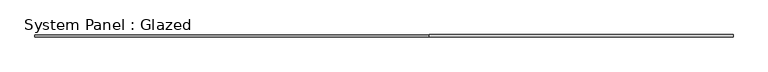
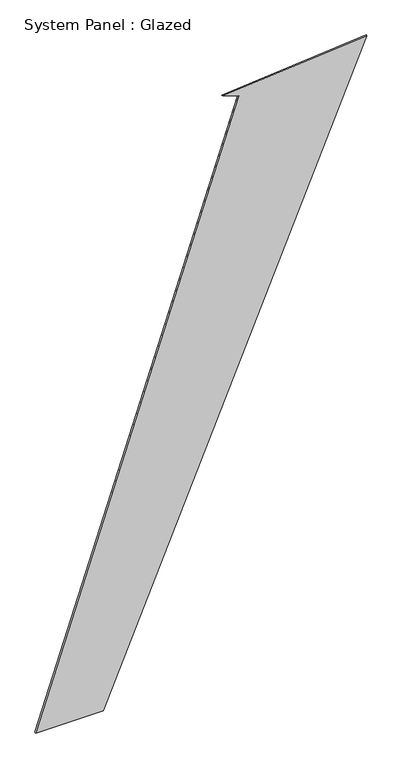
"""IFC4 building model written with IfcOpenShell, lengths in millimetres: plate geometry, System Panel : Glazed."""

from ifc_helpers import new_model, si_unit, frame, origin, place, context, project, spatial, polyline, outline, extrude, source, transform, mapped, element, save


def system_panel_glazed_6940076f(model_context):
    return source(origin(), model_context, "Body", "SweptSolid", [
        extrude(outline(polyline([(0.0, -3922.0288954), (0.0, -2322.9794651), (14720.6388689, 3922.0288954), (14402.3516525, 507.3833045), (14274.6598906, 886.4542925), (0.0, -3922.0288954)])), frame((0.0, -77.5, 0.0), z_axis=(0.0, 1.0, 0.0), x_axis=(0.0, 0.0, 1.0)), (0.0, 0.0, 1.0), 25.0),
    ])


if __name__ == "__main__":
    model = new_model("IFC4")
    model_context = context("Model", 3, world=origin())
    ifc_project = project(units=[si_unit("LENGTHUNIT", "METRE", prefix="MILLI")], contexts=[model_context])
    site = spatial("IfcSite", under=ifc_project)
    building = spatial("IfcBuilding", under=site)
    placement = place(None, origin())
    system_panel_glazed_shape = system_panel_glazed_6940076f(model_context)
    element("IfcPlate", 1, ObjectType="System Panel : Glazed", at=placement, inside=building, context=model_context, shape_type="MappedRepresentation", body=[
        mapped(system_panel_glazed_shape, transform((0.0, 0.0, 0.0), x_axis=(1.0, 0.0, 0.0), y_axis=(0.0, 1.0, 0.0), z_axis=(0.0, 0.0, 1.0))),
    ])
    save(model, "model.ifc")
